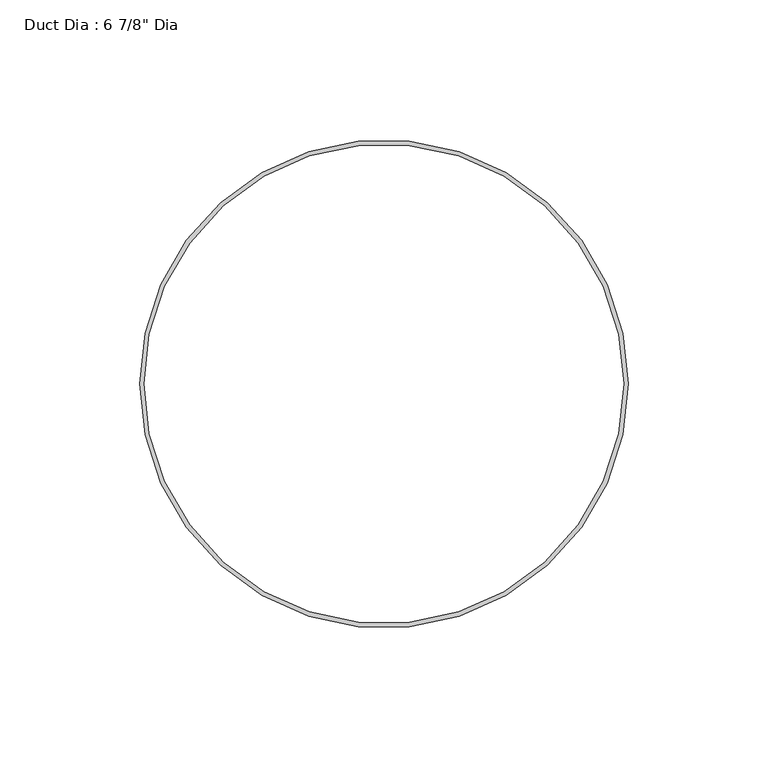
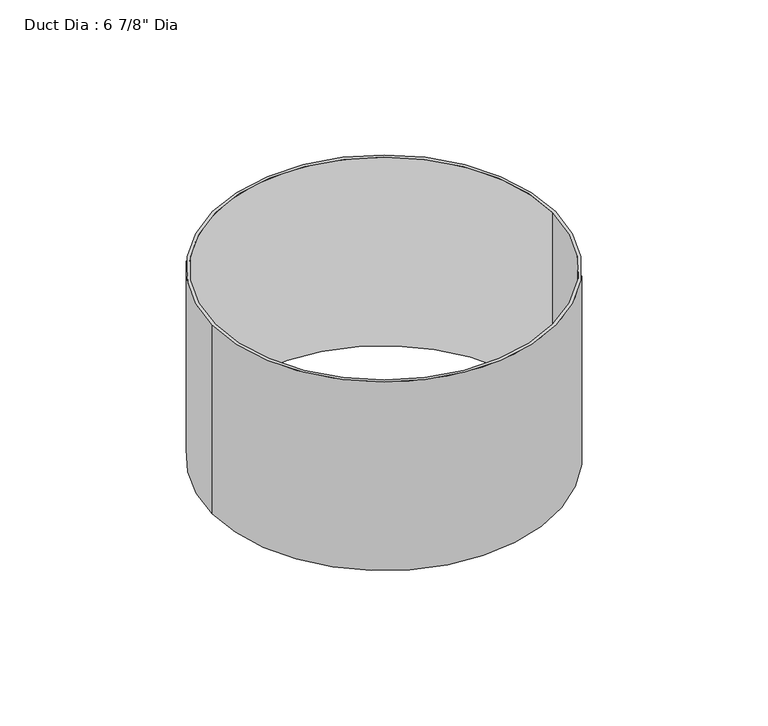
"""IFC4 building model written with IfcOpenShell, lengths in millimetres: proxy geometry."""

from ifc_helpers import new_model, si_unit, point, origin, origin_with_axes, origin_2d, place, context, project, spatial, circle_curve, trimmed, segment, composite_curve, outline, extrude, source, transform, mapped, element, save


def proxy_180c3a72(model_context):
    return source(origin(), model_context, "Body", "SweptSolid", [
        extrude(outline(composite_curve([segment(trimmed(circle_curve(origin_2d(), 87.3125), [point((-87.3125, 0.0))], [point((87.3125, 0.0))], False, "CARTESIAN"), True, "CONTINUOUS"), segment(trimmed(circle_curve(origin_2d(), 87.3125), [point((87.3125, 0.0))], [point((-87.3125, 0.0))], False, "CARTESIAN"), True, "CONTINUOUS")], self_intersect=False), holes=[composite_curve([segment(trimmed(circle_curve(origin_2d(), 85.725), [point((-85.725, 0.0))], [point((85.725, 0.0))], True, "CARTESIAN"), True, "CONTINUOUS"), segment(trimmed(circle_curve(origin_2d(), 85.725), [point((85.725, 0.0))], [point((-85.725, 0.0))], True, "CARTESIAN"), True, "CONTINUOUS")], self_intersect=False)]), origin_with_axes(), (0.0, 0.0, 1.0), 101.6),
    ])


if __name__ == "__main__":
    model = new_model("IFC4")
    model_context = context("Model", 3, world=origin())
    ifc_project = project(units=[si_unit("LENGTHUNIT", "METRE", prefix="MILLI")], contexts=[model_context])
    site = spatial("IfcSite", under=ifc_project)
    building = spatial("IfcBuilding", under=site)
    placement = place(None, origin())
    proxy_shape = proxy_180c3a72(model_context)
    element("IfcBuildingElementProxy", 1, Name="Duct Dia : 6 7/8\" Dia", ObjectType="Duct Dia : 6 7/8\" Dia", at=placement, inside=building, context=model_context, shape_type="MappedRepresentation", body=[
        mapped(proxy_shape, transform((0.0, 0.0, 0.0), x_axis=(1.0, 0.0, 0.0), y_axis=(0.0, 1.0, 0.0), z_axis=(0.0, 0.0, 1.0))),
    ])
    save(model, "model.ifc")
